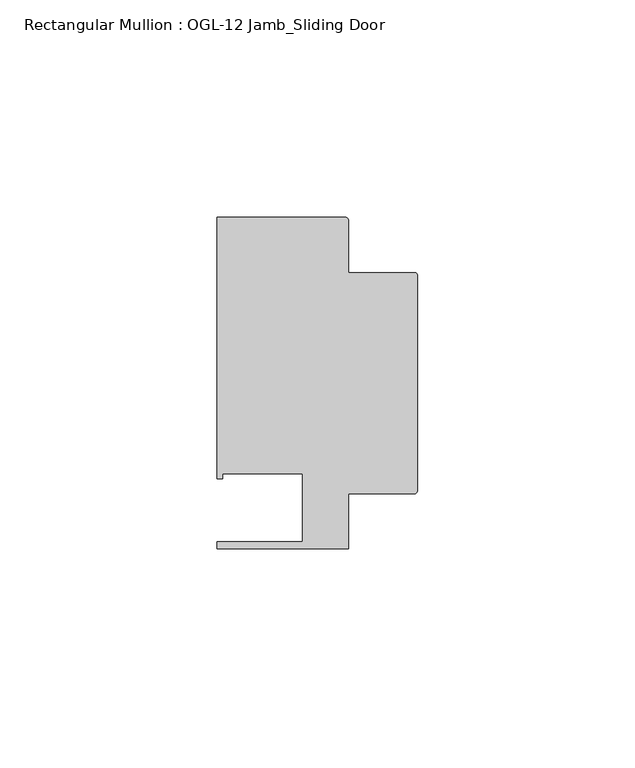
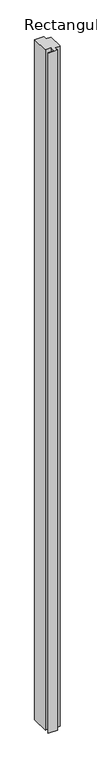
"""IFC4 building model written with IfcOpenShell, lengths in millimetres: member geometry, Rectangular Mullion : OGL-12 Jamb_Sliding Door."""

from ifc_helpers import new_model, si_unit, point, frame, frame_2d, origin, place, context, project, spatial, polyline, circle_curve, trimmed, segment, composite_curve, outline, extrude, source, transform, mapped, element, save


def rectangular_mullion_ogl_12_jamb_sliding_door_8cfda8f5(model_context):
    return source(origin(), model_context, "Body", "SweptSolid", [
        extrude(outline(composite_curve([segment(trimmed(circle_curve(frame_2d((-0.5953125, 24.8046875)), 0.5953125), [point((-0.5953125, 25.4))], [point((0.0, 24.8046875))], False, "CARTESIAN"), True, "CONTINUOUS"), segment(polyline([(0.0, 24.8046875), (0.0, -24.8046875)]), True, "CONTINUOUS"), segment(trimmed(circle_curve(frame_2d((-0.5953125, -24.8046875)), 0.5953125), [point((0.0, -24.8046875))], [point((-0.5953125, -25.4))], False, "CARTESIAN"), True, "CONTINUOUS"), segment(polyline([(-0.5953125, -25.4), (-15.8750672, -25.4), (-15.8750672, -38.100016), (-46.0248655, -38.100016), (-46.0248655, -36.512516), (-26.3720794, -36.512516), (-26.3720794, -20.8257348), (-44.7780305, -20.8257348), (-44.7780305, -21.9710976), (-46.0339598, -21.9710976), (-46.0339598, 38.0996792), (-16.4703797, 38.0996792)]), True, "CONTINUOUS"), segment(trimmed(circle_curve(frame_2d((-16.4703797, 37.5043667)), 0.5953125), [point((-16.4703797, 38.0996792))], [point((-15.8750672, 37.5043667))], False, "CARTESIAN"), True, "CONTINUOUS"), segment(polyline([(-15.8750672, 37.5043667), (-15.8750672, 25.4), (-0.5953125, 25.4)]), True, "CONTINUOUS")], self_intersect=False)), frame((0.0, 0.0, -2339.4648576), z_axis=(0.0, 0.0, 1.0), x_axis=(1.0, 0.0, 0.0)), (0.0, 0.0, 1.0), 2339.4648576),
    ])


if __name__ == "__main__":
    model = new_model("IFC4")
    model_context = context("Model", 3, world=origin())
    ifc_project = project(units=[si_unit("LENGTHUNIT", "METRE", prefix="MILLI")], contexts=[model_context])
    site = spatial("IfcSite", under=ifc_project)
    building = spatial("IfcBuilding", under=site)
    placement = place(None, origin())
    rectangular_mullion_ogl_12_jamb_sliding_door_shape = rectangular_mullion_ogl_12_jamb_sliding_door_8cfda8f5(model_context)
    element("IfcMember", 1, ObjectType="Rectangular Mullion : OGL-12 Jamb_Sliding Door", at=placement, inside=building, context=model_context, shape_type="MappedRepresentation", body=[
        mapped(rectangular_mullion_ogl_12_jamb_sliding_door_shape, transform((0.0, 0.0, 0.0), x_axis=(1.0, 0.0, 0.0), y_axis=(0.0, 1.0, 0.0), z_axis=(0.0, 0.0, 1.0))),
    ])
    save(model, "model.ifc")
